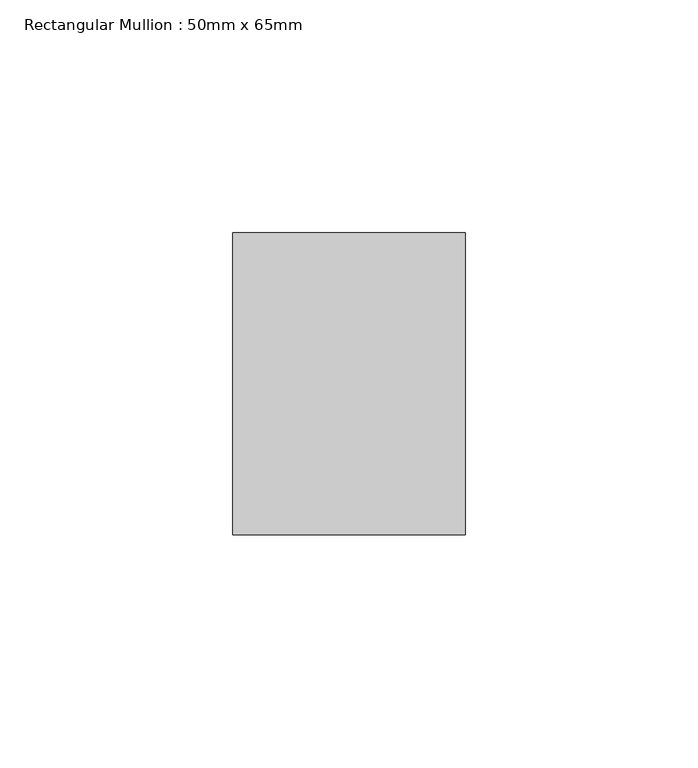
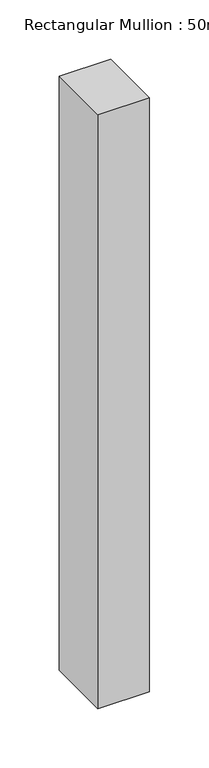
"""IFC4 building model written with IfcOpenShell, lengths in millimetres: member geometry, Rectangular Mullion : 50mm x 65mm."""

from ifc_helpers import new_model, si_unit, frame, origin, place, context, project, spatial, polyline, outline, extrude, source, transform, mapped, element, save


def rectangular_mullion_50mm_x_65mm_a698070a(model_context):
    return source(origin(), model_context, "Body", "SweptSolid", [
        extrude(outline(polyline([(25.0, 32.5), (25.0, -32.5), (-25.0, -32.5), (-25.0, 32.5), (25.0, 32.5)])), frame((0.0, 0.0, -610.7643195), z_axis=(0.0, 0.0, 1.0), x_axis=(1.0, 0.0, 0.0)), (0.0, 0.0, 1.0), 610.7643195),
    ])


if __name__ == "__main__":
    model = new_model("IFC4")
    model_context = context("Model", 3, world=origin())
    ifc_project = project(units=[si_unit("LENGTHUNIT", "METRE", prefix="MILLI")], contexts=[model_context])
    site = spatial("IfcSite", under=ifc_project)
    building = spatial("IfcBuilding", under=site)
    placement = place(None, origin())
    rectangular_mullion_50mm_x_65mm_shape = rectangular_mullion_50mm_x_65mm_a698070a(model_context)
    element("IfcMember", 1, ObjectType="Rectangular Mullion : 50mm x 65mm", at=placement, inside=building, context=model_context, shape_type="MappedRepresentation", body=[
        mapped(rectangular_mullion_50mm_x_65mm_shape, transform((0.0, 0.0, 0.0), x_axis=(1.0, 0.0, 0.0), y_axis=(0.0, 1.0, 0.0), z_axis=(0.0, 0.0, 1.0))),
    ])
    save(model, "model.ifc")
